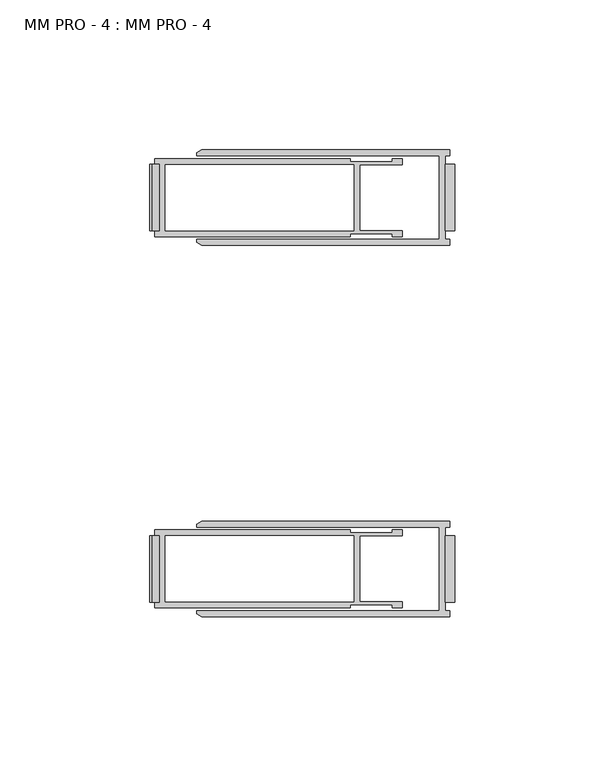
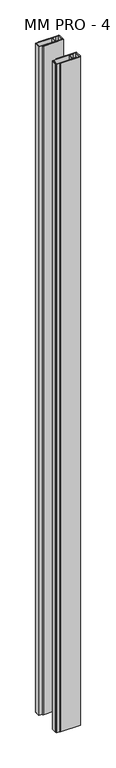
"""IFC4 building model written with IfcOpenShell, lengths in millimetres: proxy geometry, MM PRO - 4 : MM PRO - 4."""

from ifc_helpers import new_model, si_unit, frame, origin, origin_with_axes, place, context, project, spatial, polyline, outline, extrude, source, transform, mapped, element, save


def mm_pro_4_mm_pro_4_b0e3effd(model_context):
    return source(origin(), model_context, "Body", "SweptSolid", [
        extrude(outline(polyline([(-3.175, 50.8), (-3.175, 73.025), (0.0, 73.025), (0.0, 50.8), (-3.175, 50.8)])), origin_with_axes(), (0.0, 0.0, 1.0), 2921.0),
        extrude(outline(polyline([(-3.175, -50.8), (0.0, -50.8), (0.0, -73.025), (-3.175, -73.025), (-3.175, -50.8)])), origin_with_axes(), (0.0, 0.0, 1.0), 2921.0),
        extrude(outline(polyline([(0.0, -98.425), (2921.0, -98.425), (2921.0, -100.80625), (2920.20625, -100.80625), (2920.20625, -101.6), (0.79375, -101.6), (0.79375, -100.80625), (0.0, -100.80625), (0.0, -98.425)])), frame((0.0, 50.8, 0.0), z_axis=(0.0, 1.0, 0.0), x_axis=(0.0, 0.0, 1.0)), (0.0, 0.0, 1.0), 22.225),
        extrude(outline(polyline([(0.0, -98.425), (2921.0, -98.425), (2921.0, -100.80625), (2920.20625, -100.80625), (2920.20625, -101.6), (0.79375, -101.6), (0.79375, -100.80625), (0.0, -100.80625), (0.0, -98.425)])), frame((0.0, -73.025, 0.0), z_axis=(0.0, 1.0, 0.0), x_axis=(0.0, 0.0, 1.0)), (0.0, 0.0, 1.0), 22.225),
        extrude(outline(polyline([(-84.3041371, 77.7875), (-1.5875, 77.7875), (-1.5875, 75.803125), (-3.175, 75.803125), (-3.175, 48.021875), (-1.5875, 48.021875), (-1.5875, 46.0375), (-84.3041371, 46.0375), (-86.0226562, 47.0296875), (-86.0226562, 48.021875), (-5.159375, 48.021875), (-5.159375, 75.803125), (-86.0226562, 75.803125), (-86.0226562, 76.7953125), (-84.3041371, 77.7875)])), origin_with_axes(), (0.0, 0.0, 1.0), 2921.0),
        extrude(outline(polyline([(-84.3041371, -46.0375), (-1.5875, -46.0375), (-1.5875, -48.021875), (-3.175, -48.021875), (-3.175, -75.803125), (-1.5875, -75.803125), (-1.5875, -77.7875), (-84.3041371, -77.7875), (-86.0226562, -76.7953125), (-86.0226562, -75.803125), (-5.159375, -75.803125), (-5.159375, -48.021875), (-86.0226562, -48.021875), (-86.0226562, -47.0296875), (-84.3041371, -46.0375)])), origin_with_axes(), (0.0, 0.0, 1.0), 2921.0),
        extrude(outline(polyline([(-100.0125, 50.8706437), (-98.425, 50.8706437), (-98.425, 72.9543562), (-100.0125, 72.9543562), (-100.0125, 74.9101562), (-34.8257812, 74.9101562), (-34.8257812, 73.9179687), (-20.8359375, 73.9179687), (-20.8359375, 74.9101562), (-17.4625, 74.9101562), (-17.4625, 72.9257812), (-31.6507812, 72.9257812), (-31.6507812, 50.8992187), (-17.4625, 50.8992187), (-17.4625, 48.9148437), (-20.8359375, 48.9148437), (-20.8359375, 49.9070312), (-34.8257812, 49.9070312), (-34.8257812, 48.9148437), (-100.0125, 48.9148437), (-100.0125, 50.8706437)]), holes=[polyline([(-96.440625, 72.9257812), (-96.440625, 50.8992187), (-33.6351562, 50.8992187), (-33.6351562, 72.9257812), (-96.440625, 72.9257812)])]), origin_with_axes(), (0.0, 0.0, 1.0), 2921.0),
        extrude(outline(polyline([(-100.0125, -72.9543563), (-98.425, -72.9543563), (-98.425, -50.8706438), (-100.0125, -50.8706438), (-100.0125, -48.9148438), (-34.8257812, -48.9148438), (-34.8257812, -49.9070313), (-20.8359375, -49.9070313), (-20.8359375, -48.9148438), (-17.4625, -48.9148438), (-17.4625, -50.8992188), (-31.6507812, -50.8992188), (-31.6507812, -72.9257813), (-17.4625, -72.9257813), (-17.4625, -74.9101563), (-20.8359375, -74.9101563), (-20.8359375, -73.9179688), (-34.8257812, -73.9179688), (-34.8257812, -74.9101563), (-100.0125, -74.9101563), (-100.0125, -72.9543563)]), holes=[polyline([(-33.6351562, -72.9257813), (-33.6351562, -50.8992188), (-96.440625, -50.8992188), (-96.440625, -72.9257813), (-33.6351562, -72.9257813)])]), origin_with_axes(), (0.0, 0.0, 1.0), 2921.0),
    ])


if __name__ == "__main__":
    model = new_model("IFC4")
    model_context = context("Model", 3, world=origin())
    ifc_project = project(units=[si_unit("LENGTHUNIT", "METRE", prefix="MILLI")], contexts=[model_context])
    site = spatial("IfcSite", under=ifc_project)
    building = spatial("IfcBuilding", under=site)
    placement = place(None, origin())
    mm_pro_4_mm_pro_4_shape = mm_pro_4_mm_pro_4_b0e3effd(model_context)
    element("IfcBuildingElementProxy", 1, Name="MM PRO - 4 : MM PRO - 4", ObjectType="MM PRO - 4 : MM PRO - 4", at=placement, inside=building, context=model_context, shape_type="MappedRepresentation", body=[
        mapped(mm_pro_4_mm_pro_4_shape, transform((0.0, 0.0, 0.0), x_axis=(1.0, 0.0, 0.0), y_axis=(0.0, 1.0, 0.0), z_axis=(0.0, 0.0, 1.0))),
    ])
    save(model, "model.ifc")
